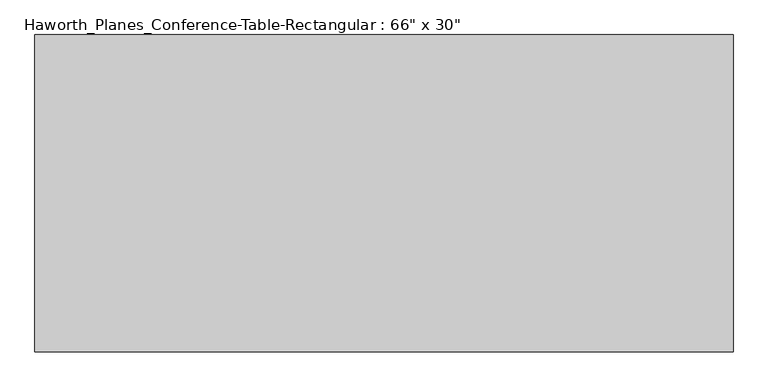
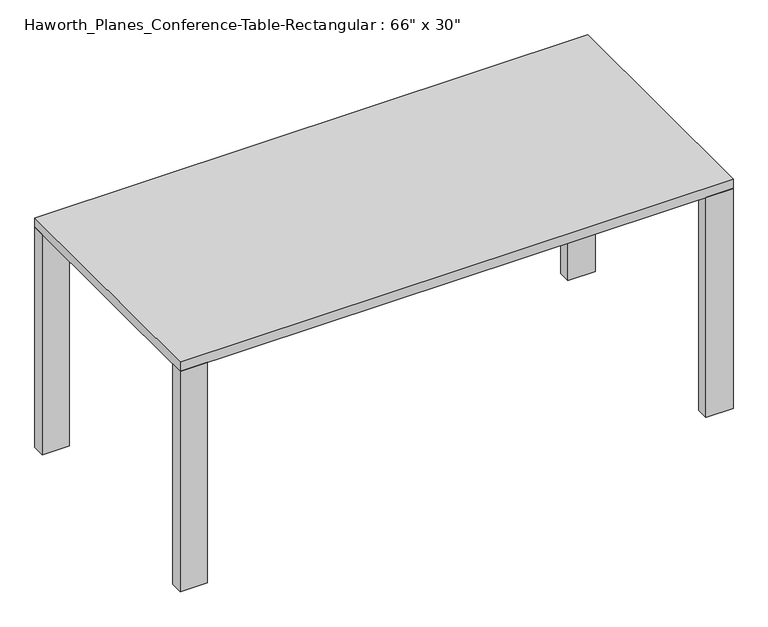
"""IFC4 building model written with IfcOpenShell, lengths in millimetres: furniture geometry."""

from ifc_helpers import new_model, si_unit, frame, origin, origin_with_axes, place, context, project, spatial, polyline, outline, extrude, source, transform, mapped, element, save


def furniture_ebef4a42(model_context):
    return source(origin(), model_context, "Body", "SweptSolid", [
        extrude(outline(polyline([(755.65, -346.9299408), (838.2, -346.9299408), (838.2, -385.0299408), (755.65, -385.0299408), (755.65, -346.9299408)])), origin_with_axes(), (0.0, 0.0, 1.0), 706.4375),
        extrude(outline(polyline([(838.2, 376.9700592), (838.2, 338.8700592), (755.65, 338.8700592), (755.65, 376.9700592), (838.2, 376.9700592)])), origin_with_axes(), (0.0, 0.0, 1.0), 706.4375),
        extrude(outline(polyline([(-755.65, -346.9299408), (-755.65, -385.0299408), (-838.2, -385.0299408), (-838.2, -346.9299408), (-755.65, -346.9299408)])), origin_with_axes(), (0.0, 0.0, 1.0), 706.4375),
        extrude(outline(polyline([(-838.2, 376.9700592), (-755.65, 376.9700592), (-755.65, 338.8700592), (-838.2, 338.8700592), (-838.2, 376.9700592)])), origin_with_axes(), (0.0, 0.0, 1.0), 706.4375),
        extrude(outline(polyline([(838.2, 376.9700592), (838.2, -385.0299408), (-838.2, -385.0299408), (-838.2, 376.9700592), (838.2, 376.9700592)])), frame((0.0, 0.0, 706.4375), z_axis=(0.0, 0.0, 1.0), x_axis=(1.0, 0.0, 0.0)), (0.0, 0.0, 1.0), 30.1625),
    ])


if __name__ == "__main__":
    model = new_model("IFC4")
    model_context = context("Model", 3, world=origin())
    ifc_project = project(units=[si_unit("LENGTHUNIT", "METRE", prefix="MILLI")], contexts=[model_context])
    site = spatial("IfcSite", under=ifc_project)
    building = spatial("IfcBuilding", under=site)
    placement = place(None, origin())
    furniture_shape = furniture_ebef4a42(model_context)
    element("IfcFurniture", 1, ObjectType="Haworth_Planes_Conference-Table-Rectangular : 66\" x 30\"", at=placement, inside=building, context=model_context, shape_type="MappedRepresentation", body=[
        mapped(furniture_shape, transform((0.0, 0.0, 0.0), x_axis=(1.0, 0.0, 0.0), y_axis=(0.0, 1.0, 0.0), z_axis=(0.0, 0.0, 1.0))),
    ])
    save(model, "model.ifc")
